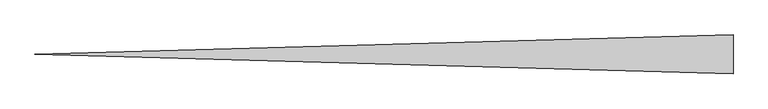
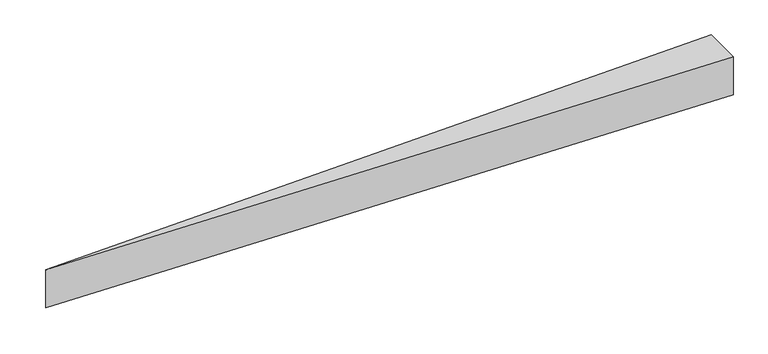
"""IFC4 building model written with IfcOpenShell, lengths in millimetres: proxy geometry."""

from ifc_helpers import new_model, si_unit, origin, origin_with_axes, place, context, project, spatial, polyline, outline, extrude, source, transform, mapped, element, save


def generic_models_ccf399fd(model_context):
    return source(origin(), model_context, "Body", "SweptSolid", [
        extrude(outline(polyline([(4200.0, -117.0), (0.0, 0.0), (4200.0, 117.0), (4200.0, -117.0)])), origin_with_axes(), (0.0, 0.0, 1.0), 250.0),
    ])


if __name__ == "__main__":
    model = new_model("IFC4")
    model_context = context("Model", 3, world=origin())
    ifc_project = project(units=[si_unit("LENGTHUNIT", "METRE", prefix="MILLI")], contexts=[model_context])
    site = spatial("IfcSite", under=ifc_project)
    building = spatial("IfcBuilding", under=site)
    placement = place(None, origin())
    generic_models_shape = generic_models_ccf399fd(model_context)
    element("IfcBuildingElementProxy", 1, Name="Generic Models", at=placement, inside=building, context=model_context, shape_type="MappedRepresentation", body=[
        mapped(generic_models_shape, transform((0.0, 0.0, 0.0), x_axis=(1.0, 0.0, 0.0), y_axis=(0.0, 1.0, 0.0), z_axis=(0.0, 0.0, 1.0))),
    ])
    save(model, "model.ifc")
